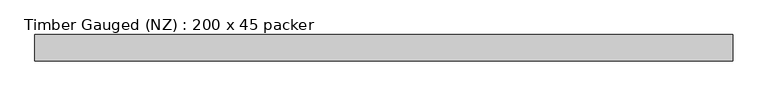
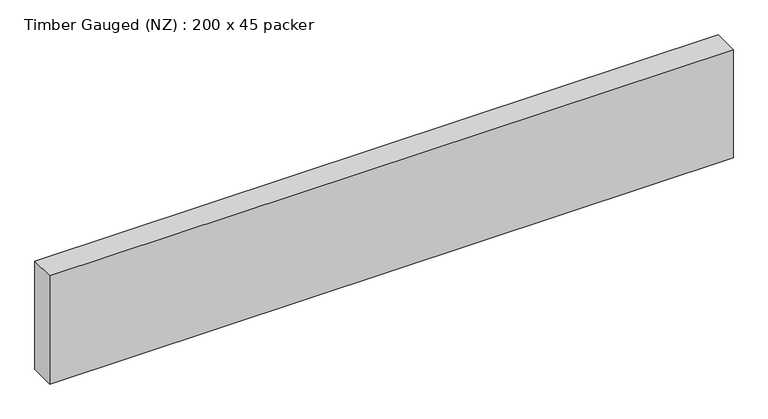
"""IFC4 building model written with IfcOpenShell, lengths in millimetres: beam geometry, Timber Gauged (NZ) : 200 x 45 packer."""

from ifc_helpers import new_model, si_unit, frame, origin, place, context, project, spatial, polyline, outline, extrude, source, transform, mapped, element, save


def timber_gauged_nz_200_x_45_packer_d9077f78(model_context):
    return source(origin(), model_context, "Body", "SweptSolid", [
        extrude(outline(polyline([(588.6390421, 22.5), (588.6390421, -22.5), (-606.8089616, -22.5), (-606.8089616, 22.5), (588.6390421, 22.5)])), frame((0.0, 0.0, -100.0), z_axis=(0.0, 0.0, 1.0), x_axis=(1.0, 0.0, 0.0)), (0.0, 0.0, 1.0), 200.0),
    ])


if __name__ == "__main__":
    model = new_model("IFC4")
    model_context = context("Model", 3, world=origin())
    ifc_project = project(units=[si_unit("LENGTHUNIT", "METRE", prefix="MILLI")], contexts=[model_context])
    site = spatial("IfcSite", under=ifc_project)
    building = spatial("IfcBuilding", under=site)
    placement = place(None, origin())
    timber_gauged_nz_200_x_45_packer_shape = timber_gauged_nz_200_x_45_packer_d9077f78(model_context)
    element("IfcBeam", 1, ObjectType="Timber Gauged (NZ) : 200 x 45 packer", at=placement, inside=building, context=model_context, shape_type="MappedRepresentation", body=[
        mapped(timber_gauged_nz_200_x_45_packer_shape, transform((0.0, 0.0, 0.0), x_axis=(1.0, 0.0, 0.0), y_axis=(0.0, 1.0, 0.0), z_axis=(0.0, 0.0, 1.0))),
    ])
    save(model, "model.ifc")
